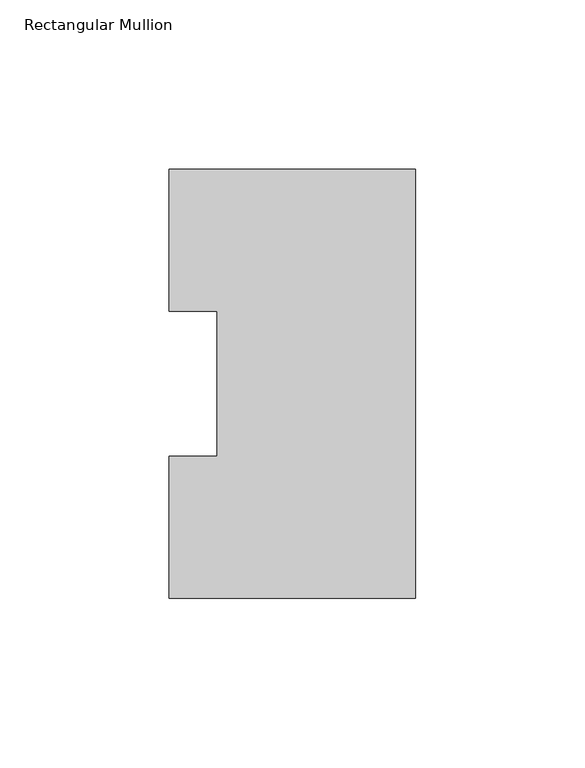
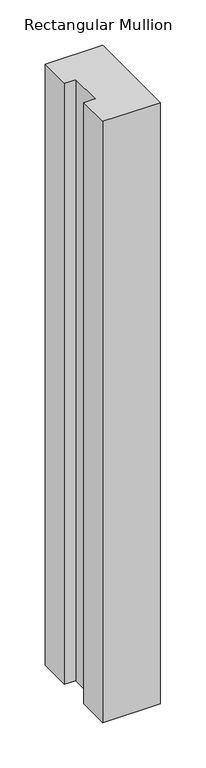
"""IFC4 building model written with IfcOpenShell, lengths in millimetres: member geometry, Rectangular Mullion."""

from ifc_helpers import new_model, si_unit, frame, origin, place, context, project, spatial, polyline, outline, extrude, source, transform, mapped, element, save


def rectangular_mullion_494ee6bf(model_context):
    return source(origin(), model_context, "Body", "SweptSolid", [
        extrude(outline(polyline([(0.0, 127.00635), (0.0, 0.00635), (-73.025, 0.00635), (-73.025, 42.08145), (-58.7375, 42.08145), (-58.7375, 84.93125), (-73.025, 84.93125), (-73.025, 127.00635), (0.0, 127.00635)])), frame((0.0, 0.0, -809.6247287), z_axis=(0.0, 0.0, 1.0), x_axis=(1.0, 0.0, 0.0)), (0.0, 0.0, 1.0), 809.6247287),
    ])


if __name__ == "__main__":
    model = new_model("IFC4")
    model_context = context("Model", 3, world=origin())
    ifc_project = project(units=[si_unit("LENGTHUNIT", "METRE", prefix="MILLI")], contexts=[model_context])
    site = spatial("IfcSite", under=ifc_project)
    building = spatial("IfcBuilding", under=site)
    placement = place(None, origin())
    rectangular_mullion_shape = rectangular_mullion_494ee6bf(model_context)
    element("IfcMember", 1, ObjectType="Rectangular Mullion", at=placement, inside=building, context=model_context, shape_type="MappedRepresentation", body=[
        mapped(rectangular_mullion_shape, transform((0.0, 0.0, 0.0), x_axis=(1.0, 0.0, 0.0), y_axis=(0.0, 1.0, 0.0), z_axis=(0.0, 0.0, 1.0))),
    ])
    save(model, "model.ifc")
